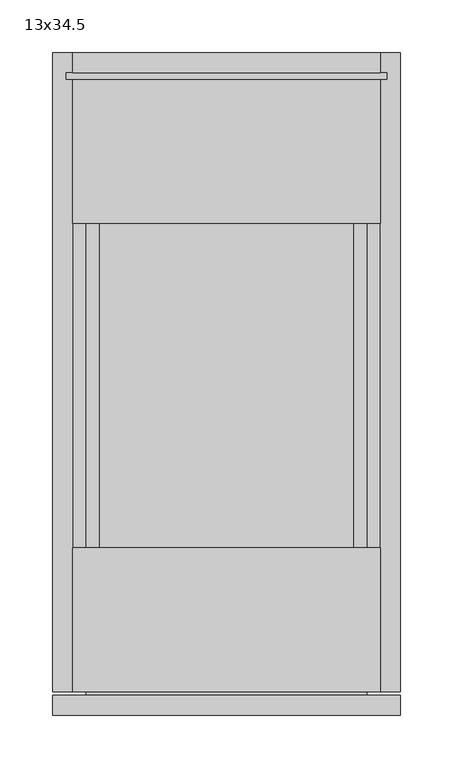
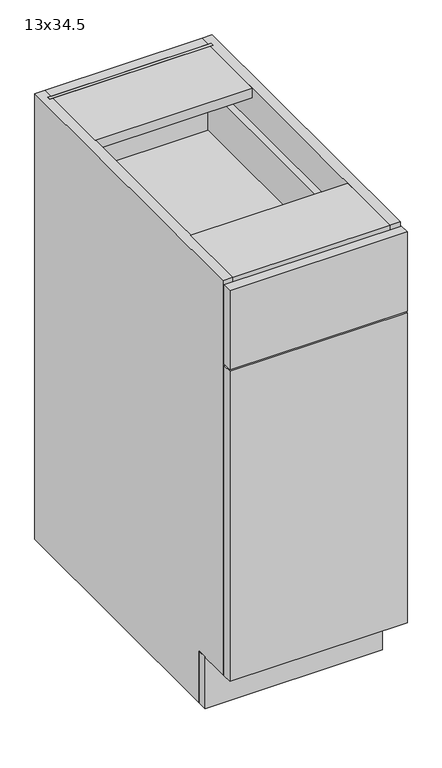
"""IFC4 building model written with IfcOpenShell, lengths in millimetres: furniture geometry, 13x34.5."""

from ifc_helpers import new_model, si_unit, frame, origin, origin_with_axes, place, context, project, spatial, polyline, outline, extrude, source, transform, mapped, element, save


def furniture_13x34_5_8271e688(model_context):
    return source(origin(), model_context, "Body", "SweptSolid", [
        extrude(outline(polyline([(-146.3622951, -549.275), (-146.3622951, -530.225), (183.8377049, -530.225), (183.8377049, -549.275), (-146.3622951, -549.275)])), origin_with_axes(), (0.0, 0.0, 1.0), 101.6),
        extrude(outline(polyline([(139.3877049, -63.5), (139.3877049, -596.9), (-101.9122951, -596.9), (-101.9122951, -63.5), (139.3877049, -63.5)])), frame((0.0, 0.0, 736.6), z_axis=(0.0, 0.0, 1.0), x_axis=(1.0, 0.0, 0.0)), (0.0, 0.0, 1.0), 6.35),
        extrude(outline(polyline([(152.0877049, -609.6), (-114.6122951, -609.6), (-114.6122951, -50.8), (152.0877049, -50.8), (152.0877049, -609.6)]), holes=[polyline([(139.3877049, -63.5), (-101.9122951, -63.5), (-101.9122951, -596.9), (139.3877049, -596.9), (139.3877049, -63.5)])]), frame((0.0, 0.0, 723.9), z_axis=(0.0, 0.0, 1.0), x_axis=(1.0, 0.0, 0.0)), (0.0, 0.0, 1.0), 101.6),
        extrude(outline(polyline([(164.7877049, -606.425), (-127.3122951, -606.425), (-127.3122951, -25.4), (164.7877049, -25.4), (164.7877049, -606.425)])), frame((0.0, 0.0, 407.9875), z_axis=(0.0, 0.0, 1.0), x_axis=(1.0, 0.0, 0.0)), (0.0, 0.0, 1.0), 19.05),
        extrude(outline(polyline([(164.7877049, -19.05), (-127.3122951, -19.05), (-127.3122951, 0.0), (164.7877049, 0.0), (164.7877049, -19.05)])), frame((0.0, 0.0, 739.775), z_axis=(0.0, 0.0, 1.0), x_axis=(1.0, 0.0, 0.0)), (0.0, 0.0, 1.0), 136.525),
        extrude(outline(polyline([(164.7877049, -19.05), (-127.3122951, -19.05), (-127.3122951, 0.0), (164.7877049, 0.0), (164.7877049, -19.05)])), frame((0.0, 0.0, 120.65), z_axis=(0.0, 0.0, 1.0), x_axis=(1.0, 0.0, 0.0)), (0.0, 0.0, 1.0), 136.525),
        extrude(outline(polyline([(171.1377049, -25.4), (-133.6622951, -25.4), (-133.6622951, -19.05), (171.1377049, -19.05), (171.1377049, -25.4)])), frame((0.0, 0.0, 114.3), z_axis=(0.0, 0.0, 1.0), x_axis=(1.0, 0.0, 0.0)), (0.0, 0.0, 1.0), 762.0),
        extrude(outline(polyline([(164.7877049, -469.9), (164.7877049, -606.425), (-127.3122951, -606.425), (-127.3122951, -469.9), (164.7877049, -469.9)])), frame((0.0, 0.0, 695.325), z_axis=(0.0, 0.0, 1.0), x_axis=(1.0, 0.0, 0.0)), (0.0, 0.0, 1.0), 19.05),
        extrude(outline(polyline([(164.7877049, -25.4), (164.7877049, -161.925), (-127.3122951, -161.925), (-127.3122951, -25.4), (164.7877049, -25.4)])), frame((0.0, 0.0, 857.25), z_axis=(0.0, 0.0, 1.0), x_axis=(1.0, 0.0, 0.0)), (0.0, 0.0, 1.0), 19.05),
        extrude(outline(polyline([(164.7877049, -469.9), (164.7877049, -606.425), (-127.3122951, -606.425), (-127.3122951, -469.9), (164.7877049, -469.9)])), frame((0.0, 0.0, 857.25), z_axis=(0.0, 0.0, 1.0), x_axis=(1.0, 0.0, 0.0)), (0.0, 0.0, 1.0), 19.05),
        extrude(outline(polyline([(164.7877049, 0.0), (164.7877049, -606.425), (-127.3122951, -606.425), (-127.3122951, 0.0), (164.7877049, 0.0)])), frame((0.0, 0.0, 101.6), z_axis=(0.0, 0.0, 1.0), x_axis=(1.0, 0.0, 0.0)), (0.0, 0.0, 1.0), 19.05),
        extrude(outline(polyline([(0.0, 876.3), (0.0, 0.0), (-530.225, 0.0), (-530.225, 101.6), (-606.425, 101.6), (-606.425, 876.3), (0.0, 876.3)])), frame((164.7877049, 0.0, 0.0), z_axis=(1.0, 0.0, 0.0), x_axis=(0.0, 1.0, 0.0)), (0.0, 0.0, 1.0), 19.05),
        extrude(outline(polyline([(-530.225, 0.0), (-530.225, 101.6), (-606.425, 101.6), (-606.425, 876.3), (0.0, 876.3), (0.0, 0.0), (-530.225, 0.0)])), frame((-146.3622951, 0.0, 0.0), z_axis=(1.0, 0.0, 0.0), x_axis=(0.0, 1.0, 0.0)), (0.0, 0.0, 1.0), 19.05),
        extrude(outline(polyline([(183.8377049, -628.65), (-146.3622951, -628.65), (-146.3622951, -609.6), (183.8377049, -609.6), (183.8377049, -628.65)])), frame((0.0, 0.0, 714.375), z_axis=(0.0, 0.0, 1.0), x_axis=(1.0, 0.0, 0.0)), (0.0, 0.0, 1.0), 155.575),
        extrude(outline(polyline([(183.8377049, -628.65), (-146.3622951, -628.65), (-146.3622951, -609.6), (183.8377049, -609.6), (183.8377049, -628.65)])), frame((0.0, 0.0, 101.6), z_axis=(0.0, 0.0, 1.0), x_axis=(1.0, 0.0, 0.0)), (0.0, 0.0, 1.0), 609.6),
    ])


if __name__ == "__main__":
    model = new_model("IFC4")
    model_context = context("Model", 3, world=origin())
    ifc_project = project(units=[si_unit("LENGTHUNIT", "METRE", prefix="MILLI")], contexts=[model_context])
    site = spatial("IfcSite", under=ifc_project)
    building = spatial("IfcBuilding", under=site)
    placement = place(None, origin())
    furniture_13x34_5_shape = furniture_13x34_5_8271e688(model_context)
    element("IfcFurniture", 1, ObjectType="13x34.5", at=placement, inside=building, context=model_context, shape_type="MappedRepresentation", body=[
        mapped(furniture_13x34_5_shape, transform((0.0, 0.0, 0.0), x_axis=(1.0, 0.0, 0.0), y_axis=(0.0, 1.0, 0.0), z_axis=(0.0, 0.0, 1.0))),
    ])
    save(model, "model.ifc")
